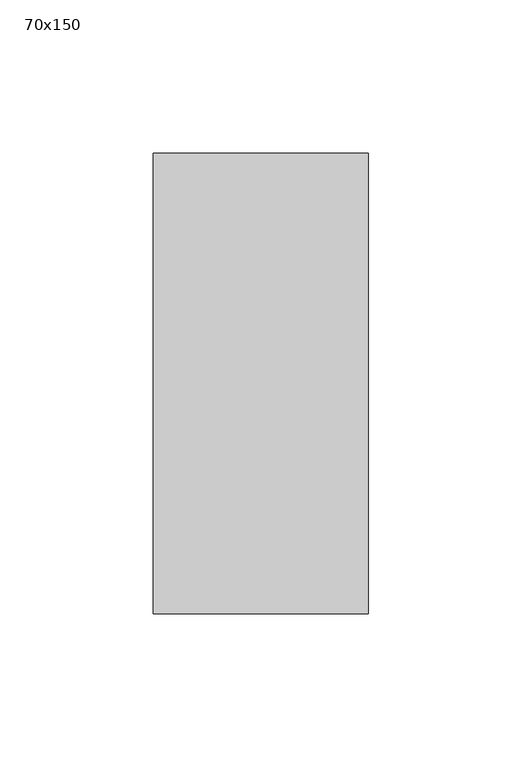
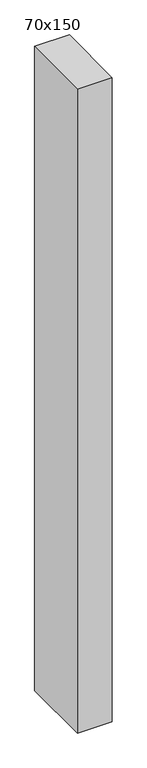
"""IFC4 building model written with IfcOpenShell, lengths in millimetres: member geometry, 70x150."""

from ifc_helpers import new_model, si_unit, frame, origin, place, context, project, spatial, polyline, outline, extrude, source, transform, mapped, element, save


def member_70x150_3bd6464e(model_context):
    return source(origin(), model_context, "Body", "SweptSolid", [
        extrude(outline(polyline([(-75.0, -0.5571557), (75.0, 0.5571557), (75.0, -1376.3360336), (-75.0, -1376.3360336), (-75.0, -0.5571557)])), frame((-70.0, 0.0, 0.0), z_axis=(1.0, 0.0, 0.0), x_axis=(0.0, 1.0, 0.0)), (0.0, 0.0, 1.0), 70.0),
    ])


if __name__ == "__main__":
    model = new_model("IFC4")
    model_context = context("Model", 3, world=origin())
    ifc_project = project(units=[si_unit("LENGTHUNIT", "METRE", prefix="MILLI")], contexts=[model_context])
    site = spatial("IfcSite", under=ifc_project)
    building = spatial("IfcBuilding", under=site)
    placement = place(None, origin())
    member_70x150_shape = member_70x150_3bd6464e(model_context)
    element("IfcMember", 1, ObjectType="70x150", at=placement, inside=building, context=model_context, shape_type="MappedRepresentation", body=[
        mapped(member_70x150_shape, transform((0.0, 0.0, 0.0), x_axis=(1.0, 0.0, 0.0), y_axis=(0.0, 1.0, 0.0), z_axis=(0.0, 0.0, 1.0))),
    ])
    save(model, "model.ifc")
